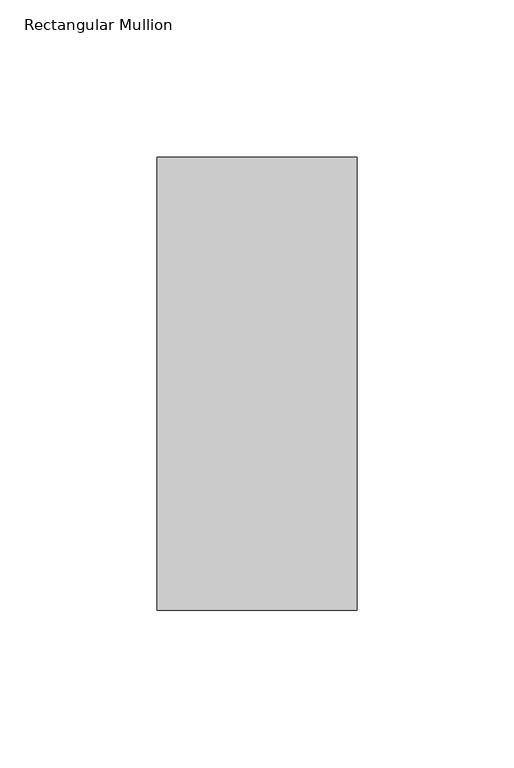
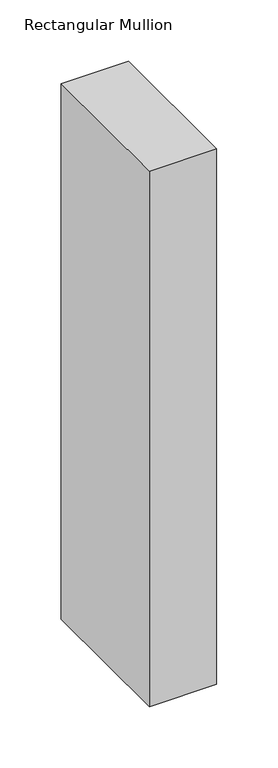
"""IFC4 building model written with IfcOpenShell, lengths in millimetres: member geometry, Rectangular Mullion."""

from ifc_helpers import new_model, si_unit, frame, origin, place, context, project, spatial, polyline, outline, extrude, source, transform, mapped, element, save


def rectangular_mullion_794bb379(model_context):
    return source(origin(), model_context, "Body", "SweptSolid", [
        extrude(outline(polyline([(-63.4999996, 190.7881312), (4e-07, 190.7881312), (4e-07, 46.7447302), (-63.4999996, 46.7447302), (-63.4999996, 190.7881312)])), frame((0.0, 0.0, -533.36825), z_axis=(0.0, 0.0, 1.0), x_axis=(1.0, 0.0, 0.0)), (0.0, 0.0, 1.0), 533.36825),
    ])


if __name__ == "__main__":
    model = new_model("IFC4")
    model_context = context("Model", 3, world=origin())
    ifc_project = project(units=[si_unit("LENGTHUNIT", "METRE", prefix="MILLI")], contexts=[model_context])
    site = spatial("IfcSite", under=ifc_project)
    building = spatial("IfcBuilding", under=site)
    placement = place(None, origin())
    rectangular_mullion_shape = rectangular_mullion_794bb379(model_context)
    element("IfcMember", 1, ObjectType="Rectangular Mullion", at=placement, inside=building, context=model_context, shape_type="MappedRepresentation", body=[
        mapped(rectangular_mullion_shape, transform((0.0, 0.0, 0.0), x_axis=(1.0, 0.0, 0.0), y_axis=(0.0, 1.0, 0.0), z_axis=(0.0, 0.0, 1.0))),
    ])
    save(model, "model.ifc")
